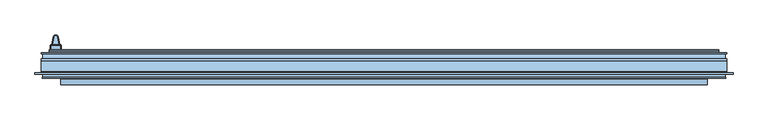
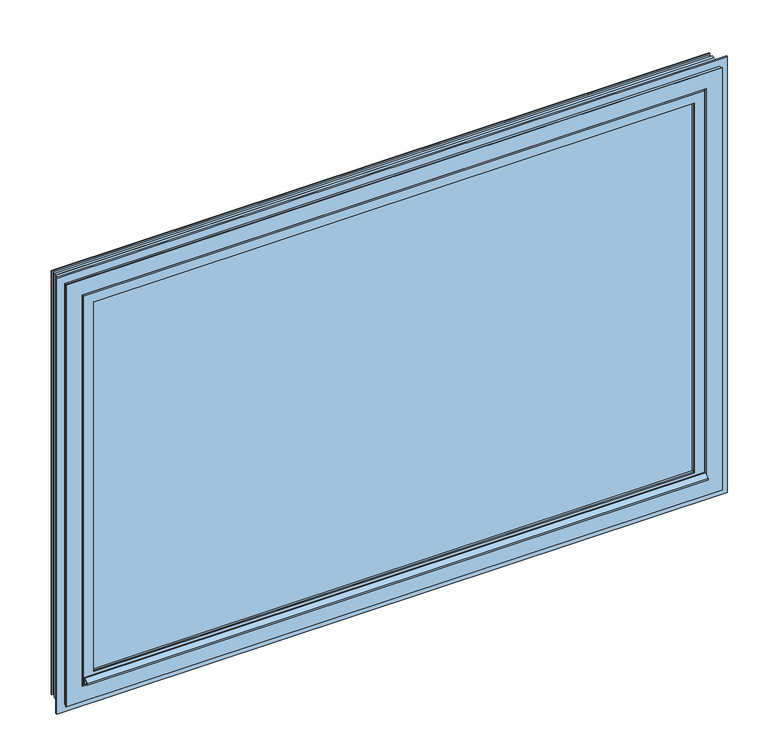
"""IFC4 building model written with IfcOpenShell, lengths in millimetres: window geometry."""

from ifc_helpers import new_model, si_unit, point, frame, origin, place, context, project, spatial, polyline, circle_curve, ellipse_curve, trimmed, outline, extrude, faceted_brep, source, transform, mapped, element, save
from ifc_brep_helpers import plane_surface, cylinder_surface, revolved_surface, advanced_brep


def window_d481d0ef(model_context):
    return source(origin(), model_context, "Body", "SolidModel", [
        advanced_brep(
        [(-994.7043751, 24.5, 741.3979431), (-993.9647918, 24.5, 740.4324468), (-993.9647918, 24.5, 649.5675532), (-994.7043751, 24.5, 648.6020569), (-1020.2252084, 24.5, 648.6020569), (-1020.9647918, 24.5, 649.5675532), (-1020.9647918, 24.5, 740.4324468), (-1020.2252084, 24.5, 741.3979431), (-1016.4185119, 24.5, 710.0), (-1019.4647918, 24.5, 707.0), (-1019.4647918, 24.5, 680.0), (-995.4647918, 24.5, 680.0), (-995.4647918, 24.5, 707.0), (-998.5110716, 24.5, 710.0), (-1023.9647918, 9.5, 649.5675532), (-1021.0064584, 9.5, 645.7055679), (-993.9231251, 9.5, 645.7055679), (-990.9647918, 9.5, 649.5675532), (-990.9647918, 9.5, 740.4324468), (-993.9231251, 9.5, 744.2944321), (-1021.0064584, 9.5, 744.2944321), (-1023.9647918, 9.5, 740.4324468), (-1021.0064584, 21.5000017, 645.7055679), (-993.9231251, 21.5, 645.7055679), (-990.9647918, 21.5, 649.5675532), (-990.9647918, 21.5, 740.4324468), (-993.9231251, 21.5000017, 744.2944321), (-1021.0064584, 21.5, 744.2944321), (-1023.9647918, 21.5, 740.4324468), (-1023.9647918, 21.5, 649.5675532), (-1002.5293046, 47.2885318, 710.0), (-1012.4002789, 47.2885318, 710.0), (-999.5748814, 47.8094763, 572.088623), (-1015.3547022, 47.8094763, 572.088623), (-999.5748814, 47.8094763, 680.0), (-999.5748814, 47.8094763, 707.0000026), (-1015.3547022, 47.8094763, 680.0), (-1015.3547022, 47.8094763, 707.0)],
        [
            (0, 1, circle_curve(frame((-994.9647918, 24.5, 740.4324468), z_axis=(0.0, 1.0, 0.0), x_axis=(1.0, 0.0, 0.0)), 1.0)),
            (1, 2),
            (2, 3, circle_curve(frame((-994.9647918, 24.5, 649.5675532), z_axis=(0.0, 1.0, 0.0), x_axis=(0.26041666666605084, 0.0, -0.9654963281766239)), 1.0)),
            (3, 4, circle_curve(frame((-1007.4647918, 24.5, 695.911377), z_axis=(0.0, 1.0, 0.0), x_axis=(-0.26041666666662955, 0.0, -0.9654963281764678)), 49.0)),
            (4, 5, circle_curve(frame((-1019.9647918, 24.5, 649.5675532), z_axis=(0.0, 1.0, 0.0), x_axis=(-1.0, 0.0, 0.0)), 1.0)),
            (5, 6),
            (6, 7, circle_curve(frame((-1019.9647918, 24.5, 740.4324468), z_axis=(0.0, 1.0, 0.0), x_axis=(-0.26041666666640223, 0.0, 0.9654963281765291)), 1.0)),
            (7, 0, circle_curve(frame((-1007.4647918, 24.5, 694.088623), z_axis=(0.0, 1.0, 0.0), x_axis=(0.2604166666664096, 0.0, 0.9654963281765271)), 49.0)),
            (8, 9, ellipse_curve(frame((-1016.4185119, 24.5, 707.0), z_axis=(0.0, -1.0, 0.0), x_axis=(1.0, 0.0, 0.0)), 3.0462798, 3.0)),
            (9, 10),
            (10, 11),
            (11, 12),
            (12, 13, ellipse_curve(frame((-998.5110716, 24.5, 707.0), z_axis=(0.0, -1.0, 0.0), x_axis=(1.0, 0.0, 0.0)), 3.0462798, 3.0)),
            (13, 8),
            (14, 15, circle_curve(frame((-1019.9647918, 9.5, 649.5675532), z_axis=(0.0, -1.0, 0.0), x_axis=(1.0, 0.0, 0.0)), 4.0)),
            (15, 16, circle_curve(frame((-1007.4647918, 9.5, 695.911377), z_axis=(0.0, -1.0, 0.0), x_axis=(1.0, 0.0, 0.0)), 52.0)),
            (16, 17, circle_curve(frame((-994.9647918, 9.5, 649.5675532), z_axis=(0.0, -1.0, 0.0), x_axis=(-1.0, 0.0, 0.0)), 4.0)),
            (17, 18),
            (18, 19, circle_curve(frame((-994.9647918, 9.5, 740.4324468), z_axis=(0.0, -1.0, 0.0), x_axis=(-1.0, 0.0, 0.0)), 4.0)),
            (19, 20, circle_curve(frame((-1007.4647918, 9.5, 694.088623), z_axis=(0.0, -1.0, 0.0), x_axis=(1.0, 0.0, 0.0)), 52.0)),
            (20, 21, circle_curve(frame((-1019.9647918, 9.5, 740.4324468), z_axis=(0.0, -1.0, 0.0), x_axis=(1.0, 0.0, 0.0)), 4.0)),
            (21, 14),
            (15, 22),
            (22, 23, circle_curve(frame((-1007.4647918, 21.5, 695.911377), z_axis=(0.0, -1.0, 0.0), x_axis=(1.0, 0.0, 0.0)), 52.0)),
            (23, 16),
            (17, 24),
            (24, 25),
            (25, 18),
            (19, 26),
            (26, 27, circle_curve(frame((-1007.4647918, 21.5, 694.088623), z_axis=(0.0, -1.0, 0.0), x_axis=(1.0, 0.0, 0.0)), 52.0)),
            (27, 20),
            (21, 28),
            (28, 29),
            (29, 14),
            (26, 0, circle_curve(frame((-994.7043751, 21.5, 741.3979431), z_axis=(-0.9654963281765271, 0.0, 0.2604166666664095), x_axis=(0.2604166666664095, 0.0, 0.9654963281765271)), 3.0)),
            (7, 27, circle_curve(frame((-1020.2252084, 21.5, 741.3979431), z_axis=(0.9654963281765291, 0.0, 0.2604166666664024), x_axis=(-0.2604166666664024, 0.0, 0.9654963281765291)), 3.0)),
            (28, 6, circle_curve(frame((-1020.9647918, 21.5, 740.4324468), z_axis=(0.0, 0.0, -1.0), x_axis=(-1.0, 0.0, 0.0)), 3.0)),
            (5, 29, circle_curve(frame((-1020.9647918, 21.5, 649.5675532), z_axis=(0.0, 0.0, 1.0), x_axis=(-1.0, 0.0, 0.0)), 3.0)),
            (22, 4, circle_curve(frame((-1020.2252084, 21.5, 648.6020569), z_axis=(0.9654963281764678, 0.0, -0.26041666666662944), x_axis=(-0.26041666666662944, 0.0, -0.9654963281764678)), 3.0)),
            (3, 23, circle_curve(frame((-994.7043751, 21.5, 648.6020569), z_axis=(-0.9654963281766021, 0.0, -0.26041666666613134), x_axis=(0.26041666666613134, 0.0, -0.9654963281766021)), 3.0)),
            (24, 2, circle_curve(frame((-993.9647918, 21.5, 649.5675532), z_axis=(0.0, 0.0, 1.0), x_axis=(1.0, 0.0, 0.0)), 3.0)),
            (1, 25, circle_curve(frame((-993.9647918, 21.5, 740.4324468), z_axis=(0.0, 0.0, -1.0), x_axis=(1.0, 0.0, 0.0)), 3.0)),
            (29, 22, circle_curve(frame((-1019.9647918, 21.5, 649.5675532), z_axis=(0.0, -1.0, 0.0), x_axis=(1.0, 0.0, 0.0)), 4.0)),
            (23, 24, circle_curve(frame((-994.9647918, 21.5, 649.5675532), z_axis=(0.0, -1.0, 0.0), x_axis=(-1.0, 0.0, 0.0)), 4.0)),
            (25, 26, circle_curve(frame((-994.9647918, 21.5, 740.4324468), z_axis=(0.0, -1.0, 0.0), x_axis=(-1.0, 0.0, 0.0)), 4.0)),
            (27, 28, circle_curve(frame((-1019.9647918, 21.5, 740.4324468), z_axis=(0.0, -1.0, 0.0), x_axis=(1.0, 0.0, 0.0)), 4.0)),
            (13, 30),
            (30, 31, circle_curve(frame((-1007.4647918, 46.4182722, 710.0), z_axis=(0.0, 0.0, 1.0), x_axis=(-0.9848077530122089, 0.17364817766692564, 0.0)), 5.011625)),
            (31, 8),
            (32, 33, circle_curve(frame((-1007.4647918, 46.4182722, 572.088623), z_axis=(0.0, 0.0, -1.0), x_axis=(1.0, 0.0, 0.0)), 8.011625)),
            (33, 32, circle_curve(frame((-1007.4647918, 46.4182722, 572.088623), z_axis=(0.0, 0.0, -1.0), x_axis=(1.0, 0.0, 0.0)), 8.011625)),
            (11, 34),
            (34, 35),
            (35, 12),
            (33, 36),
            (36, 37),
            (37, 35, circle_curve(frame((-1007.4647918, 46.4182722, 707.0), z_axis=(0.0, 0.0, -1.0), x_axis=(1.0, 0.0, 0.0)), 8.011625)),
            (34, 32),
            (36, 10),
            (9, 37),
            (31, 37, circle_curve(frame((-1012.4002789, 47.2885318, 707.0), z_axis=(-0.17364817766693155, -0.9848077530122079, 0.0), x_axis=(0.9848077530122079, -0.17364817766693155, 0.0)), 3.0)),
            (30, 35, circle_curve(frame((-1002.5293046, 47.2885318, 707.0), z_axis=(-0.1736481776669173, 0.9848077530122104, 0.0), x_axis=(-0.9848077530122104, -0.1736481776669173, 0.0)), 3.0)),
            (36, 34, circle_curve(frame((-1007.4647918, 46.4182722, 680.0), z_axis=(0.0, 0.0, 1.0), x_axis=(1.0, 0.0, 0.0)), 8.011625)),
        ],
        [
            plane_surface(frame((-1015.9647918, 24.5, 649.5675532), z_axis=(0.0, 1.0, 0.0), x_axis=(0.0, 0.0, 1.0))),
            plane_surface(frame((-1015.9647918, 9.5, 649.5675532), z_axis=(0.0, -1.0, 0.0), x_axis=(0.0, 0.0, -1.0))),
            cylinder_surface(frame((-1007.4647918, 9.5, 695.911377), z_axis=(0.0, 1.0, 0.0), x_axis=(1.0, 0.0, 0.0)), 52.0),
            plane_surface(frame((-990.9647918, 24.5, 649.5675532), z_axis=(1.0, 0.0, 0.0), x_axis=(0.0, -1.0, 0.0))),
            cylinder_surface(frame((-1007.4647918, 9.5, 694.088623), z_axis=(0.0, 1.0, 0.0), x_axis=(1.0, 0.0, 0.0)), 52.0),
            plane_surface(frame((-1023.9647918, 24.5, 740.4324468), z_axis=(-1.0, 0.0, 0.0), x_axis=(0.0, -1.0, 0.0))),
            revolved_surface(trimmed(ellipse_curve(frame((-994.7043751, 21.5, 741.3979431), z_axis=(-0.9654963281765271, 0.0, 0.2604166666664095), x_axis=(0.2604166666664095, 0.0, 0.9654963281765271)), 3.0, 3.0), [point((-993.9231251, 21.5, 744.2944321))], [point((-994.7043751, 24.5, 741.3979431))], True, "CARTESIAN"), (-1007.4647918, 9.5, 694.088623), (0.0, 1.0, 0.0)),
            cylinder_surface(frame((-1020.9647918, 21.5, 740.4324468), z_axis=(0.0, 0.0, -1.0), x_axis=(-1.0, 0.0, 0.0)), 3.0),
            revolved_surface(trimmed(ellipse_curve(frame((-1020.2252084, 21.5, 648.6020569), z_axis=(0.9654963281764678, 0.0, -0.26041666666662944), x_axis=(-0.26041666666662944, 0.0, -0.9654963281764678)), 3.0, 3.0), [point((-1021.0064584, 21.5, 645.7055679))], [point((-1020.2252084, 24.5, 648.6020569))], True, "CARTESIAN"), (-1007.4647918, 9.5, 695.911377), (0.0, 1.0, 0.0)),
            cylinder_surface(frame((-993.9647918, 21.5, 649.5675532), z_axis=(0.0, 0.0, 1.0), x_axis=(1.0, 0.0, 0.0)), 3.0),
            cylinder_surface(frame((-1019.9647918, 9.5, 649.5675532), z_axis=(0.0, 1.0, 0.0), x_axis=(1.0, 0.0, 0.0)), 4.0),
            cylinder_surface(frame((-994.9647918, 9.5, 649.5675532), z_axis=(0.0, 1.0, 0.0), x_axis=(-1.0, 0.0, 0.0)), 4.0),
            cylinder_surface(frame((-994.9647918, 9.5, 740.4324468), z_axis=(0.0, 1.0, 0.0), x_axis=(-1.0, 0.0, 0.0)), 4.0),
            cylinder_surface(frame((-1019.9647918, 9.5, 740.4324468), z_axis=(0.0, 1.0, 0.0), x_axis=(1.0, 0.0, 0.0)), 4.0),
            revolved_surface(trimmed(ellipse_curve(frame((-993.9647918, 21.5, 740.4324468), z_axis=(0.0, 0.0, 1.0), x_axis=(1.0, 0.0, 0.0)), 3.0, 3.0), [point((-990.9647918, 21.5, 740.4324468))], [point((-993.9647918, 24.5, 740.4324468))], True, "CARTESIAN"), (-994.9647918, 9.5, 740.4324468), (0.0, 1.0, 0.0)),
            revolved_surface(trimmed(ellipse_curve(frame((-1020.2252084, 21.5, 741.3979431), z_axis=(-0.9654963281765291, 0.0, -0.2604166666664024), x_axis=(-0.2604166666664024, 0.0, 0.9654963281765291)), 3.0, 3.0), [point((-1021.0064584, 21.5, 744.2944321))], [point((-1020.2252084, 24.5, 741.3979431))], True, "CARTESIAN"), (-1019.9647918, 9.5, 740.4324468), (0.0, 1.0, 0.0)),
            revolved_surface(trimmed(ellipse_curve(frame((-1020.9647918, 21.5, 649.5675532), z_axis=(0.0, 0.0, -1.0), x_axis=(-1.0, 0.0, 0.0)), 3.0, 3.0), [point((-1023.9647918, 21.5, 649.5675532))], [point((-1020.9647918, 24.5, 649.5675532))], True, "CARTESIAN"), (-1019.9647918, 9.5, 649.5675532), (0.0, 1.0, 0.0)),
            revolved_surface(trimmed(ellipse_curve(frame((-994.7043751, 21.5, 648.6020569), z_axis=(0.9654963281766239, 0.0, 0.26041666666605096), x_axis=(0.26041666666605096, 0.0, -0.9654963281766239)), 3.0, 3.0), [point((-993.9231251, 21.5, 645.7055679))], [point((-994.7043751, 24.5, 648.6020569))], True, "CARTESIAN"), (-994.9647918, 9.5, 649.5675532), (0.0, 1.0, 0.0)),
            plane_surface(frame((-1019.4647918, 24.5, 710.0), z_axis=(0.0, 0.0, 1.0), x_axis=(0.17364817766693152, 0.9848077530122079, 0.0))),
            plane_surface(frame((-1019.4647918, 24.5, 572.088623), z_axis=(0.0, 0.0, -1.0), x_axis=(-0.17364817766693152, -0.9848077530122079, 0.0))),
            plane_surface(frame((-999.5748814, 47.8094763, 710.0), z_axis=(0.9848077530122115, 0.1736481776669116, 0.0), x_axis=(0.0, 0.0, -1.0))),
            cylinder_surface(frame((-1007.4647918, 46.4182722, 572.088623), z_axis=(0.0, 0.0, 1.0), x_axis=(1.0, 0.0, 0.0)), 8.011625),
            plane_surface(frame((-1019.4647918, 24.5, 710.0), z_axis=(-0.9848077530122079, 0.17364817766693152, 0.0), x_axis=(0.0, 0.0, -1.0))),
            cylinder_surface(frame((-1016.5103685, 23.9790554, 707.0), z_axis=(0.17364817766693155, 0.9848077530122079, 0.0), x_axis=(0.9848077530122079, -0.17364817766693155, 0.0)), 3.0),
            revolved_surface(trimmed(ellipse_curve(frame((-1012.4002789, 47.2885318, 707.0), z_axis=(0.17364817766692567, 0.9848077530122089, 0.0), x_axis=(0.9848077530122089, -0.17364817766692567, 0.0)), 3.0, 3.0), [point((-1015.3547022, 47.8094763, 707.0))], [point((-1012.4002789, 47.2885318, 710.0))], True, "CARTESIAN"), (-1007.4647918, 46.4182722, 695.0), (0.0, 0.0, 1.0)),
            cylinder_surface(frame((-1002.5293046, 47.2885318, 707.0), z_axis=(0.17364817766691146, -0.9848077530122115, 0.0), x_axis=(-0.9848077530122115, -0.17364817766691146, 0.0)), 3.0),
            plane_surface(frame((-1015.3547022, 47.8094763, 680.0), z_axis=(0.0, 0.0, -1.0), x_axis=(0.17364817766693152, 0.9848077530122079, 0.0))),
            cylinder_surface(frame((-1007.4647918, 46.4182722, 680.0), z_axis=(0.0, 0.0, 1.0), x_axis=(1.0, 0.0, 0.0)), 8.011625),
        ],
        [
            (0, [[1, 2, 3, 4, 5, 6, 7, 8], [9, 10, 11, 12, 13, 14]]),
            (1, [[15, 16, 17, 18, 19, 20, 21, 22]]),
            (2, [[23, 24, 25, -16]]),
            (3, [[26, 27, 28, -18]]),
            (4, [[29, 30, 31, -20]]),
            (5, [[32, 33, 34, -22]]),
            (6, [[-30, 35, -8, 36]]),
            (7, [[-33, 37, -6, 38]]),
            (8, [[-24, 39, -4, 40]]),
            (9, [[-27, 41, -2, 42]]),
            (10, [[-34, 43, -23, -15]]),
            (11, [[-25, 44, -26, -17]]),
            (12, [[-28, 45, -29, -19]]),
            (13, [[-31, 46, -32, -21]]),
            (14, [[-45, -42, -1, -35]]),
            (15, [[-7, -37, -46, -36]]),
            (16, [[-5, -39, -43, -38]]),
            (17, [[-3, -41, -44, -40]]),
            (18, [[-14, 47, 48, 49]]),
            (19, [[50, 51]]),
            (20, [[-12, 52, 53, 54]]),
            (21, [[55, 56, 57, -53, 58, -51]]),
            (22, [[-56, 59, -10, 60]]),
            (23, [[-60, -9, -49, 61]]),
            (24, [[-48, 62, -57, -61]]),
            (25, [[-47, -13, -54, -62]]),
            (26, [[-52, -11, -59, 63]]),
            (27, [[-55, -50, -58, -63]]),
        ],
    ),
        extrude(outline(polyline([(-78.0, 112.5000001), (-78.0, 90.5000001), (-79.5, 90.5000001), (-79.5, 111.0000001), (-81.5947325, 111.0000001), (-96.5, 102.4320777), (-96.5, 99.3000001), (-98.0, 99.3000001), (-98.0, 103.3023811), (-81.8082792, 112.5000001), (-78.0, 112.5000001)])), frame((-991.4647918, 0.0, 0.0), z_axis=(1.0, 0.0, 0.0), x_axis=(0.0, 1.0, 0.0)), (0.0, 0.0, 1.0), 1982.9295835),
        extrude(outline(polyline([(972.4771163, -20.9993552), (972.4771163, -68.9993552), (-972.4771163, -68.9993552), (-972.4771163, -20.9993552), (972.4771163, -20.9993552)])), frame((0.0, 0.0, 108.9876756), z_axis=(0.0, 0.0, 1.0), x_axis=(1.0, 0.0, 0.0)), (0.0, 0.0, 1.0), 1274.6246488),
        faceted_brep([(-1020.4647918, 0.0, 61.0000001), (1020.4647918, 0.0, 61.0000001), (1020.4647918, 4.5, 61.0000001), (-1020.4647918, 4.5, 61.0000001), (-1027.4647918, 4.5, 54.0000001), (1027.4647918, 4.5, 54.0000001), (1027.4647918, 0.0, 54.0000001), (-1027.4647918, 0.0, 54.0000001), (1020.4647918, 0.0, 1431.5999999), (1020.4647918, 4.5, 1431.5999999), (1027.4647918, 4.5, 1438.5999999), (1027.4647918, 0.0, 1438.5999999), (-1020.4647918, 0.0, 1431.5999999), (-1020.4647918, 4.5, 1431.5999999), (-1027.4647918, 4.5, 1438.5999999), (-1027.4647918, 0.0, 1438.5999999)], [[[0, 1, 2, 3]], [[4, 5, 6, 7]], [[1, 8, 9, 2]], [[5, 10, 11, 6]], [[8, 12, 13, 9]], [[10, 14, 15, 11]], [[12, 0, 3, 13]], [[7, 6, 11, 15], [1, 0, 12, 8]], [[14, 4, 7, 15]], [[5, 4, 14, 10], [3, 2, 9, 13]]]),
        faceted_brep([(-958.877858, -72.9993552, 122.5869339), (958.877858, -72.9993552, 122.5869339), (956.548095, -68.9993552, 124.9166968), (-956.548095, -68.9993552, 124.9166968), (-967.2929374, -68.9993552, 114.1718545), (967.2929374, -68.9993552, 114.1718545), (967.2929374, -72.9993552, 114.1718545), (-967.2929374, -72.9993552, 114.1718545), (958.877858, -72.9993552, 1370.0130661), (956.548095, -68.9993552, 1367.6833032), (967.2929374, -68.9993552, 1378.4281455), (967.2929374, -72.9993552, 1378.4281455), (-958.877858, -72.9993552, 1370.0130661), (-956.548095, -68.9993552, 1367.6833032), (-967.2929374, -68.9993552, 1378.4281455), (-967.2929374, -72.9993552, 1378.4281455)], [[[0, 1, 2, 3]], [[4, 5, 6, 7]], [[1, 8, 9, 2]], [[5, 10, 11, 6]], [[8, 12, 13, 9]], [[10, 14, 15, 11]], [[12, 0, 3, 13]], [[7, 6, 11, 15], [1, 0, 12, 8]], [[14, 4, 7, 15]], [[5, 4, 14, 10], [3, 2, 9, 13]]]),
        faceted_brep([(-973.7771163, -58.5822771, 107.6876756), (973.7771163, -58.5822771, 107.6876756), (973.7771163, -20.9993552, 107.6876756), (-973.7771163, -20.9993552, 107.6876756), (-977.8728445, -60.9469469, 103.5919473), (977.8728445, -60.9469469, 103.5919473), (-979.7647918, -13.5, 101.7000001), (979.7647918, -13.5, 101.7000001), (979.7647918, -60.9469469, 101.7000001), (-979.7647918, -60.9469469, 101.7000001), (-956.6542646, -20.9993552, 124.8105273), (956.6542646, -20.9993552, 124.8105273), (959.4647918, -13.5, 122.0000001), (-959.4647918, -13.5, 122.0000001), (973.7771163, -58.5822771, 1384.9123244), (973.7771163, -20.9993552, 1384.9123244), (977.8728445, -60.9469469, 1389.0080527), (979.7647918, -13.5, 1390.8999999), (979.7647918, -60.9469469, 1390.8999999), (956.6542646, -20.9993552, 1367.7894727), (959.4647918, -13.5, 1370.5999999), (-973.7771163, -58.5822771, 1384.9123244), (-973.7771163, -20.9993552, 1384.9123244), (-977.8728445, -60.9469469, 1389.0080527), (-979.7647918, -13.5, 1390.8999999), (-979.7647918, -60.9469469, 1390.8999999), (-956.6542646, -20.9993552, 1367.7894727), (-959.4647918, -13.5, 1370.5999999)], [[[0, 1, 2, 3]], [[4, 5, 1, 0]], [[6, 7, 8, 9]], [[10, 11, 12, 13]], [[1, 14, 15, 2]], [[5, 16, 14, 1]], [[7, 17, 18, 8]], [[11, 19, 20, 12]], [[14, 21, 22, 15]], [[16, 23, 21, 14]], [[17, 24, 25, 18]], [[19, 26, 27, 20]], [[3, 2, 15, 22], [11, 10, 26, 19]], [[21, 0, 3, 22]], [[23, 4, 0, 21]], [[9, 8, 18, 25], [5, 4, 23, 16]], [[24, 6, 9, 25]], [[7, 6, 24, 17], [13, 12, 20, 27]], [[26, 10, 13, 27]]]),
        faceted_brep([(-979.7647918, -56.0228633, 101.7000001), (979.7647918, -56.0228633, 101.7000001), (979.7647918, -26.5771368, 101.7000001), (-979.7647918, -26.5771368, 101.7000001), (-984.4715043, -26.5771368, 96.9932875), (984.4715043, -26.5771368, 96.9932875), (984.4715043, -56.0228633, 96.9932875), (-984.4715043, -56.0228633, 96.9932875), (979.7647918, -56.0228633, 1390.8999999), (979.7647918, -26.5771368, 1390.8999999), (984.4715043, -26.5771368, 1395.6067125), (984.4715043, -56.0228633, 1395.6067125), (-979.7647918, -56.0228633, 1390.8999999), (-979.7647918, -26.5771368, 1390.8999999), (-984.4715043, -26.5771368, 1395.6067125), (-984.4715043, -56.0228633, 1395.6067125)], [[[0, 1, 2, 3]], [[4, 5, 6, 7]], [[1, 8, 9, 2]], [[5, 10, 11, 6]], [[8, 12, 13, 9]], [[10, 14, 15, 11]], [[5, 4, 14, 10], [3, 2, 9, 13]], [[12, 0, 3, 13]], [[7, 6, 11, 15], [1, 0, 12, 8]], [[14, 4, 7, 15]]]),
        faceted_brep([(-1000.8994328, -53.3448327, 80.5653591), (1000.8994328, -53.3448327, 80.5653591), (1000.8994328, -56.0228633, 80.5653591), (-1000.8994328, -56.0228633, 80.5653591), (-1009.0510273, -29.6580118, 72.4137645), (1009.0510273, -29.6580118, 72.4137645), (1007.0284033, -53.3448327, 74.4363885), (-1007.0284033, -53.3448327, 74.4363885), (-1001.4647918, -29.0102211, 80.0000001), (1001.4647918, -29.0102211, 80.0000001), (-1001.4647918, -26.5771368, 80.0000001), (1001.4647918, -26.5771368, 80.0000001), (-996.1415458, -56.0228633, 85.323246), (996.1415458, -56.0228633, 85.323246), (996.1415458, -26.5771368, 85.323246), (-996.1415458, -26.5771368, 85.323246), (1000.8994328, -53.3448327, 1412.0346409), (1000.8994328, -56.0228633, 1412.0346409), (1009.0510273, -29.6580118, 1420.1862355), (1007.0284033, -53.3448327, 1418.1636115), (1001.4647918, -29.0102211, 1412.5999999), (1001.4647918, -26.5771368, 1412.5999999), (996.1415458, -56.0228633, 1407.276754), (996.1415458, -26.5771368, 1407.276754), (-1000.8994328, -53.3448327, 1412.0346409), (-1000.8994328, -56.0228633, 1412.0346409), (-1009.0510273, -29.6580118, 1420.1862355), (-1007.0284033, -53.3448327, 1418.1636115), (-1001.4647918, -29.0102211, 1412.5999999), (-1001.4647918, -26.5771368, 1412.5999999), (-996.1415458, -56.0228633, 1407.276754), (-996.1415458, -26.5771368, 1407.276754)], [[[0, 1, 2, 3]], [[4, 5, 6, 7]], [[8, 9, 5, 4]], [[10, 11, 9, 8]], [[12, 13, 14, 15]], [[1, 16, 17, 2]], [[5, 18, 19, 6]], [[9, 20, 18, 5]], [[11, 21, 20, 9]], [[13, 22, 23, 14]], [[16, 24, 25, 17]], [[18, 26, 27, 19]], [[20, 28, 26, 18]], [[21, 29, 28, 20]], [[22, 30, 31, 23]], [[24, 0, 3, 25]], [[7, 6, 19, 27], [1, 0, 24, 16]], [[26, 4, 7, 27]], [[28, 8, 4, 26]], [[29, 10, 8, 28]], [[11, 10, 29, 21], [15, 14, 23, 31]], [[30, 12, 15, 31]], [[3, 2, 17, 25], [13, 12, 30, 22]]]),
        faceted_brep([(-991.4647918, -71.8, 90.0000001), (991.4647918, -71.8, 90.0000001), (991.4647918, -78.0, 90.0000001), (-991.4647918, -78.0, 90.0000001), (-1000.0647918, -62.8, 81.4000001), (1000.0647918, -62.8, 81.4000001), (1000.0647918, -71.8, 81.4000001), (-1000.0647918, -71.8, 81.4000001), (-1001.4647918, -56.0228633, 80.0000001), (1001.4647918, -56.0228633, 80.0000001), (1001.4647918, -62.8, 80.0000001), (-1001.4647918, -62.8, 80.0000001), (-979.7647918, -66.0, 101.7000001), (979.7647918, -66.0, 101.7000001), (979.7647918, -56.0228633, 101.7000001), (-979.7647918, -56.0228633, 101.7000001), (-986.9647918, -73.2318757, 94.5000001), (986.9647918, -73.2318757, 94.5000001), (986.9647918, -66.0, 94.5000001), (-986.9647918, -66.0, 94.5000001), (-984.6647918, -76.0, 96.8000001), (984.6647918, -76.0, 96.8000001), (984.6647918, -73.2318757, 96.8000001), (-984.6647918, -73.2318757, 96.8000001), (-968.2647918, -72.9993551, 113.2000001), (968.2647918, -72.9993551, 113.2000001), (968.2647918, -76.0, 113.2000001), (-968.2647918, -76.0, 113.2000001), (-959.4647918, -78.0, 122.0000001), (959.4647918, -78.0, 122.0000001), (959.4647918, -72.9993551, 122.0000001), (-959.4647918, -72.9993551, 122.0000001), (991.4647918, -71.8, 1402.5999999), (991.4647918, -78.0, 1402.5999999), (1000.0647918, -62.8, 1411.1999999), (1000.0647918, -71.8, 1411.1999999), (1001.4647918, -56.0228633, 1412.5999999), (1001.4647918, -62.8, 1412.5999999), (979.7647918, -66.0, 1390.8999999), (979.7647918, -56.0228633, 1390.8999999), (986.9647918, -73.2318757, 1398.0999999), (986.9647918, -66.0, 1398.0999999), (984.6647918, -76.0, 1395.7999999), (984.6647918, -73.2318757, 1395.7999999), (968.2647918, -72.9993551, 1379.3999999), (968.2647918, -76.0, 1379.3999999), (959.4647918, -78.0, 1370.5999999), (959.4647918, -72.9993551, 1370.5999999), (-991.4647918, -71.8, 1402.5999999), (-991.4647918, -78.0, 1402.5999999), (-1000.0647918, -62.8, 1411.1999999), (-1000.0647918, -71.8, 1411.1999999), (-1001.4647918, -56.0228633, 1412.5999999), (-1001.4647918, -62.8, 1412.5999999), (-979.7647918, -66.0, 1390.8999999), (-979.7647918, -56.0228633, 1390.8999999), (-986.9647918, -73.2318757, 1398.0999999), (-986.9647918, -66.0, 1398.0999999), (-984.6647918, -76.0, 1395.7999999), (-984.6647918, -73.2318757, 1395.7999999), (-968.2647918, -72.9993551, 1379.3999999), (-968.2647918, -76.0, 1379.3999999), (-959.4647918, -78.0, 1370.5999999), (-959.4647918, -72.9993551, 1370.5999999)], [[[0, 1, 2, 3]], [[4, 5, 6, 7]], [[8, 9, 10, 11]], [[12, 13, 14, 15]], [[16, 17, 18, 19]], [[20, 21, 22, 23]], [[24, 25, 26, 27]], [[28, 29, 30, 31]], [[1, 32, 33, 2]], [[5, 34, 35, 6]], [[9, 36, 37, 10]], [[13, 38, 39, 14]], [[17, 40, 41, 18]], [[21, 42, 43, 22]], [[25, 44, 45, 26]], [[29, 46, 47, 30]], [[32, 48, 49, 33]], [[34, 50, 51, 35]], [[36, 52, 53, 37]], [[38, 54, 55, 39]], [[40, 56, 57, 41]], [[42, 58, 59, 43]], [[44, 60, 61, 45]], [[46, 62, 63, 47]], [[48, 0, 3, 49]], [[7, 6, 35, 51], [1, 0, 48, 32]], [[50, 4, 7, 51]], [[11, 10, 37, 53], [5, 4, 50, 34]], [[52, 8, 11, 53]], [[9, 8, 52, 36], [15, 14, 39, 55]], [[54, 12, 15, 55]], [[19, 18, 41, 57], [13, 12, 54, 38]], [[56, 16, 19, 57]], [[17, 16, 56, 40], [23, 22, 43, 59]], [[58, 20, 23, 59]], [[21, 20, 58, 42], [27, 26, 45, 61]], [[60, 24, 27, 61]], [[25, 24, 60, 44], [31, 30, 47, 63]], [[62, 28, 31, 63]], [[3, 2, 33, 49], [29, 28, 62, 46]]]),
        faceted_brep([(-979.4647918, 1.5, 102.0000001), (979.4647918, 1.5, 102.0000001), (987.4647918, 9.5, 94.0000001), (-987.4647918, 9.5, 94.0000001), (-979.4647918, 0.0, 102.0000001), (979.4647918, 0.0, 102.0000001), (-959.4647918, -13.5, 122.0000001), (959.4647918, -13.5, 122.0000001), (959.4647918, 0.0, 122.0000001), (-959.4647918, 0.0, 122.0000001), (-979.7647918, -26.5771368, 101.7000001), (979.7647918, -26.5771368, 101.7000001), (979.7647918, -13.5, 101.7000001), (-979.7647918, -13.5, 101.7000001), (-1001.4647918, -21.8, 80.0000001), (1001.4647918, -21.8, 80.0000001), (1001.4647918, -26.5771368, 80.0000001), (-1001.4647918, -26.5771368, 80.0000001), (-1009.9647918, -17.5027967, 71.5000001), (1009.9647918, -17.5027967, 71.5000001), (1009.9647918, -21.8, 71.5000001), (-1009.9647918, -21.8, 71.5000001), (-1005.3647918, -2.4972034, 76.1000001), (1005.3647918, -2.4972034, 76.1000001), (1005.3647918, -17.5027967, 76.1000001), (-1005.3647918, -17.5027967, 76.1000001), (-1009.9647918, 1.8, 71.5000001), (1009.9647918, 1.8, 71.5000001), (1009.9647918, -2.4972034, 71.5000001), (-1009.9647918, -2.4972034, 71.5000001), (-1005.4647918, 7.5, 76.0000001), (1005.4647918, 7.5, 76.0000001), (1005.4647918, 1.8, 76.0000001), (-1005.4647918, 1.8, 76.0000001), (-1020.4647918, 4.5, 61.0000001), (1020.4647918, 4.5, 61.0000001), (1020.4647918, 7.5, 61.0000001), (-1020.4647918, 7.5, 61.0000001), (-1027.4647918, 9.5, 54.0000001), (1027.4647918, 9.5, 54.0000001), (1027.4647918, 4.5, 54.0000001), (-1027.4647918, 4.5, 54.0000001), (979.4647918, 1.5, 1390.5999999), (987.4647918, 9.5, 1398.5999999), (979.4647918, 0.0, 1390.5999999), (959.4647918, -13.5, 1370.5999999), (959.4647918, 0.0, 1370.5999999), (979.7647918, -26.5771368, 1390.8999999), (979.7647918, -13.5, 1390.8999999), (1001.4647918, -21.8, 1412.5999999), (1001.4647918, -26.5771368, 1412.5999999), (1009.9647918, -17.5027967, 1421.0999999), (1009.9647918, -21.8, 1421.0999999), (1005.3647918, -2.4972034, 1416.4999999), (1005.3647918, -17.5027967, 1416.4999999), (1009.9647918, 1.8, 1421.0999999), (1009.9647918, -2.4972034, 1421.0999999), (1005.4647918, 7.5, 1416.5999999), (1005.4647918, 1.8, 1416.5999999), (1020.4647918, 4.5, 1431.5999999), (1020.4647918, 7.5, 1431.5999999), (1027.4647918, 9.5, 1438.5999999), (1027.4647918, 4.5, 1438.5999999), (-979.4647918, 1.5, 1390.5999999), (-987.4647918, 9.5, 1398.5999999), (-979.4647918, 0.0, 1390.5999999), (-959.4647918, -13.5, 1370.5999999), (-959.4647918, 0.0, 1370.5999999), (-979.7647918, -26.5771368, 1390.8999999), (-979.7647918, -13.5, 1390.8999999), (-1001.4647918, -21.8, 1412.5999999), (-1001.4647918, -26.5771368, 1412.5999999), (-1009.9647918, -17.5027967, 1421.0999999), (-1009.9647918, -21.8, 1421.0999999), (-1005.3647918, -2.4972034, 1416.4999999), (-1005.3647918, -17.5027967, 1416.4999999), (-1009.9647918, 1.8, 1421.0999999), (-1009.9647918, -2.4972034, 1421.0999999), (-1005.4647918, 7.5, 1416.5999999), (-1005.4647918, 1.8, 1416.5999999), (-1020.4647918, 4.5, 1431.5999999), (-1020.4647918, 7.5, 1431.5999999), (-1027.4647918, 9.5, 1438.5999999), (-1027.4647918, 4.5, 1438.5999999)], [[[0, 1, 2, 3]], [[4, 5, 1, 0]], [[6, 7, 8, 9]], [[10, 11, 12, 13]], [[14, 15, 16, 17]], [[18, 19, 20, 21]], [[22, 23, 24, 25]], [[26, 27, 28, 29]], [[30, 31, 32, 33]], [[34, 35, 36, 37]], [[38, 39, 40, 41]], [[1, 42, 43, 2]], [[5, 44, 42, 1]], [[7, 45, 46, 8]], [[11, 47, 48, 12]], [[15, 49, 50, 16]], [[19, 51, 52, 20]], [[23, 53, 54, 24]], [[27, 55, 56, 28]], [[31, 57, 58, 32]], [[35, 59, 60, 36]], [[39, 61, 62, 40]], [[42, 63, 64, 43]], [[44, 65, 63, 42]], [[45, 66, 67, 46]], [[47, 68, 69, 48]], [[49, 70, 71, 50]], [[51, 72, 73, 52]], [[53, 74, 75, 54]], [[55, 76, 77, 56]], [[57, 78, 79, 58]], [[59, 80, 81, 60]], [[61, 82, 83, 62]], [[63, 0, 3, 64]], [[65, 4, 0, 63]], [[5, 4, 65, 44], [9, 8, 46, 67]], [[66, 6, 9, 67]], [[13, 12, 48, 69], [7, 6, 66, 45]], [[68, 10, 13, 69]], [[17, 16, 50, 71], [11, 10, 68, 47]], [[70, 14, 17, 71]], [[21, 20, 52, 73], [15, 14, 70, 49]], [[72, 18, 21, 73]], [[19, 18, 72, 51], [25, 24, 54, 75]], [[74, 22, 25, 75]], [[29, 28, 56, 77], [23, 22, 74, 53]], [[76, 26, 29, 77]], [[27, 26, 76, 55], [33, 32, 58, 79]], [[78, 30, 33, 79]], [[37, 36, 60, 81], [31, 30, 78, 57]], [[80, 34, 37, 81]], [[41, 40, 62, 83], [35, 34, 80, 59]], [[82, 38, 41, 83]], [[39, 38, 82, 61], [3, 2, 43, 64]]]),
        faceted_brep([(-1025.9647918, -66.0052697, 55.5), (1025.9647918, -66.0052697, 55.5), (1025.9647918, -68.0, 55.5), (-1025.9647918, -68.0, 55.5), (-1021.4647918, -23.2660825, 60.0), (1021.4647918, -23.2660825, 60.0), (1021.4647918, -66.0052697, 60.0), (-1021.4647918, -66.0052697, 60.0), (-1013.9647918, -53.3448327, 67.5), (1013.9647918, -53.3448327, 67.5), (1013.9647918, -23.2660825, 67.5), (-1013.9647918, -23.2660825, 67.5), (-1004.2509872, -68.0, 77.2138046), (1004.2509872, -68.0, 77.2138046), (1004.2509872, -53.3448327, 77.2138046), (-1004.2509872, -53.3448327, 77.2138046), (1025.9647918, -66.0052697, 1437.1), (1025.9647918, -68.0, 1437.1), (1021.4647918, -23.2660825, 1432.6), (1021.4647918, -66.0052697, 1432.6), (1013.9647918, -53.3448327, 1425.1), (1013.9647918, -23.2660825, 1425.1), (1004.2509872, -68.0, 1415.3861954), (1004.2509872, -53.3448327, 1415.3861954), (-1025.9647918, -66.0052697, 1437.1), (-1025.9647918, -68.0, 1437.1), (-1021.4647918, -23.2660825, 1432.6), (-1021.4647918, -66.0052697, 1432.6), (-1013.9647918, -53.3448327, 1425.1), (-1013.9647918, -23.2660825, 1425.1), (-1004.2509872, -68.0, 1415.3861954), (-1004.2509872, -53.3448327, 1415.3861954)], [[[0, 1, 2, 3]], [[4, 5, 6, 7]], [[8, 9, 10, 11]], [[12, 13, 14, 15]], [[1, 16, 17, 2]], [[5, 18, 19, 6]], [[9, 20, 21, 10]], [[13, 22, 23, 14]], [[16, 24, 25, 17]], [[18, 26, 27, 19]], [[20, 28, 29, 21]], [[22, 30, 31, 23]], [[3, 2, 17, 25], [13, 12, 30, 22]], [[24, 0, 3, 25]], [[1, 0, 24, 16], [7, 6, 19, 27]], [[26, 4, 7, 27]], [[5, 4, 26, 18], [11, 10, 21, 29]], [[28, 8, 11, 29]], [[9, 8, 28, 20], [15, 14, 23, 31]], [[30, 12, 15, 31]]]),
        faceted_brep([(-994.48271, -72.9993551, 86.9820819), (994.48271, -72.9993551, 86.9820819), (994.48271, -71.8, 86.9820819), (-994.48271, -71.8, 86.9820819), (-1005.2647918, -71.8, 76.2000001), (1005.2647918, -71.8, 76.2000001), (1005.2647918, -72.9993551, 76.2000001), (-1005.2647918, -72.9993551, 76.2000001), (994.48271, -72.9993551, 1405.6179181), (994.48271, -71.8, 1405.6179181), (1005.2647918, -71.8, 1416.3999999), (1005.2647918, -72.9993551, 1416.3999999), (-994.48271, -72.9993551, 1405.6179181), (-994.48271, -71.8, 1405.6179181), (-1005.2647918, -71.8, 1416.3999999), (-1005.2647918, -72.9993551, 1416.3999999)], [[[0, 1, 2, 3]], [[4, 5, 6, 7]], [[1, 8, 9, 2]], [[5, 10, 11, 6]], [[8, 12, 13, 9]], [[10, 14, 15, 11]], [[5, 4, 14, 10], [3, 2, 9, 13]], [[12, 0, 3, 13]], [[7, 6, 11, 15], [1, 0, 12, 8]], [[14, 4, 7, 15]]]),
        extrude(outline(polyline([(51.822288, -1029.6425038), (51.822288, 1029.6425038), (1440.777712, 1029.6425038), (1440.777712, -1029.6425038), (51.822288, -1029.6425038)]), holes=[polyline([(60.0, 1021.4647918), (60.0, -1021.4647918), (1432.6, -1021.4647918), (1432.6, 1021.4647918), (60.0, 1021.4647918)])]), frame((0.0, -57.0317462, 0.0), z_axis=(0.0, 1.0, 0.0), x_axis=(0.0, 0.0, 1.0)), (0.0, 0.0, 1.0), 30.0582227),
        extrude(outline(polyline([(30.0, -1051.4647918), (30.0, 1051.4647918), (1462.6, 1051.4647918), (1462.6, -1051.4647918), (30.0, -1051.4647918)]), holes=[polyline([(38.177712, 1043.2870798), (38.177712, -1043.2870798), (1454.422288, -1043.2870798), (1454.422288, 1043.2870798), (38.177712, 1043.2870798)])]), frame((0.0, -57.0317462, 0.0), z_axis=(0.0, 1.0, 0.0), x_axis=(0.0, 0.0, 1.0)), (0.0, 0.0, 1.0), 30.0582227),
        faceted_brep([(-1048.4550821, -76.0, 33.0097097), (1048.4550821, -76.0, 33.0097097), (1048.4550821, -78.0, 33.0097097), (-1048.4550821, -78.0, 33.0097097), (-1046.9647918, -67.0, 34.5), (1046.9647918, -67.0, 34.5), (1046.9647918, -76.0, 34.5), (-1046.9647918, -76.0, 34.5), (-1071.4647918, -62.0004132, 10.0000001), (1071.4647918, -62.0004132, 10.0000001), (1071.4647918, -67.0, 10.0000001), (-1071.4647918, -67.0, 10.0000001), (-1059.9647918, -65.2, 21.5000001), (1059.9647918, -65.2, 21.5000001), (1059.9647918, -62.0004132, 21.5000001), (-1059.9647918, -62.0004132, 21.5000001), (-1046.9647918, -63.4993551, 34.5), (1046.9647918, -63.4993551, 34.5), (1046.9647918, -65.2, 34.5), (-1046.9647918, -65.2, 34.5), (-1051.4647918, -57.0317462, 30.0), (1051.4647918, -57.0317462, 30.0), (1051.4647918, -63.4993551, 30.0), (-1051.4647918, -63.4993551, 30.0), (-1021.4647918, -66.0052697, 60.0), (1021.4647918, -66.0052697, 60.0), (1021.4647918, -57.0317462, 60.0), (-1021.4647918, -57.0317462, 60.0), (-1031.3647918, -76.0, 50.1000001), (1031.3647918, -76.0, 50.1000001), (1031.3647918, -66.0052697, 50.1000001), (-1031.3647918, -66.0052697, 50.1000001), (-1005.2647918, -72.9993551, 76.2000001), (1005.2647918, -72.9993551, 76.2000001), (1005.2647918, -76.0, 76.2000001), (-1005.2647918, -76.0, 76.2000001), (-996.4647918, -78.0, 85.0000001), (996.4647918, -78.0, 85.0000001), (996.4647918, -72.9993551, 85.0000001), (-996.4647918, -72.9993551, 85.0000001), (1048.4550821, -76.0, 1459.5902903), (1048.4550821, -78.0, 1459.5902903), (1046.9647918, -67.0, 1458.1), (1046.9647918, -76.0, 1458.1), (1071.4647918, -62.0004132, 1482.5999999), (1071.4647918, -67.0, 1482.5999999), (1059.9647918, -65.2, 1471.0999999), (1059.9647918, -62.0004132, 1471.0999999), (1046.9647918, -63.4993551, 1458.1), (1046.9647918, -65.2, 1458.1), (1051.4647918, -57.0317462, 1462.6), (1051.4647918, -63.4993551, 1462.6), (1021.4647918, -66.0052697, 1432.6), (1021.4647918, -57.0317462, 1432.6), (1031.3647918, -76.0, 1442.4999999), (1031.3647918, -66.0052697, 1442.4999999), (1005.2647918, -72.9993551, 1416.3999999), (1005.2647918, -76.0, 1416.3999999), (996.4647918, -78.0, 1407.5999999), (996.4647918, -72.9993551, 1407.5999999), (-1048.4550821, -76.0, 1459.5902903), (-1048.4550821, -78.0, 1459.5902903), (-1046.9647918, -67.0, 1458.1), (-1046.9647918, -76.0, 1458.1), (-1071.4647918, -62.0004132, 1482.5999999), (-1071.4647918, -67.0, 1482.5999999), (-1059.9647918, -65.2, 1471.0999999), (-1059.9647918, -62.0004132, 1471.0999999), (-1046.9647918, -63.4993551, 1458.1), (-1046.9647918, -65.2, 1458.1), (-1051.4647918, -57.0317462, 1462.6), (-1051.4647918, -63.4993551, 1462.6), (-1021.4647918, -66.0052697, 1432.6), (-1021.4647918, -57.0317462, 1432.6), (-1031.3647918, -76.0, 1442.4999999), (-1031.3647918, -66.0052697, 1442.4999999), (-1005.2647918, -72.9993551, 1416.3999999), (-1005.2647918, -76.0, 1416.3999999), (-996.4647918, -78.0, 1407.5999999), (-996.4647918, -72.9993551, 1407.5999999)], [[[0, 1, 2, 3]], [[4, 5, 6, 7]], [[8, 9, 10, 11]], [[12, 13, 14, 15]], [[16, 17, 18, 19]], [[20, 21, 22, 23]], [[24, 25, 26, 27]], [[28, 29, 30, 31]], [[32, 33, 34, 35]], [[36, 37, 38, 39]], [[1, 40, 41, 2]], [[5, 42, 43, 6]], [[9, 44, 45, 10]], [[13, 46, 47, 14]], [[17, 48, 49, 18]], [[21, 50, 51, 22]], [[25, 52, 53, 26]], [[29, 54, 55, 30]], [[33, 56, 57, 34]], [[37, 58, 59, 38]], [[40, 60, 61, 41]], [[42, 62, 63, 43]], [[44, 64, 65, 45]], [[46, 66, 67, 47]], [[48, 68, 69, 49]], [[50, 70, 71, 51]], [[52, 72, 73, 53]], [[54, 74, 75, 55]], [[56, 76, 77, 57]], [[58, 78, 79, 59]], [[60, 0, 3, 61]], [[1, 0, 60, 40], [7, 6, 43, 63]], [[62, 4, 7, 63]], [[11, 10, 45, 65], [5, 4, 62, 42]], [[64, 8, 11, 65]], [[9, 8, 64, 44], [15, 14, 47, 67]], [[66, 12, 15, 67]], [[13, 12, 66, 46], [19, 18, 49, 69]], [[68, 16, 19, 69]], [[23, 22, 51, 71], [17, 16, 68, 48]], [[70, 20, 23, 71]], [[21, 20, 70, 50], [27, 26, 53, 73]], [[72, 24, 27, 73]], [[31, 30, 55, 75], [25, 24, 72, 52]], [[74, 28, 31, 75]], [[29, 28, 74, 54], [35, 34, 57, 77]], [[76, 32, 35, 77]], [[33, 32, 76, 56], [39, 38, 59, 79]], [[78, 36, 39, 79]], [[3, 2, 41, 61], [37, 36, 78, 58]]]),
        faceted_brep([(-1021.4647918, -26.9735235, 60.0), (1021.4647918, -26.9735235, 60.0), (1021.4647918, -18.0, 60.0), (-1021.4647918, -18.0, 60.0), (-1051.4647918, -18.0, 30.0), (1051.4647918, -18.0, 30.0), (1051.4647918, -26.9735235, 30.0), (-1051.4647918, -26.9735235, 30.0), (-1046.9647918, -4.0, 34.5), (1046.9647918, -4.0, 34.5), (1046.9647918, -18.0, 34.5), (-1046.9647918, -18.0, 34.5), (-1051.4647918, 0.0, 30.0), (1051.4647918, 0.0, 30.0), (1051.4647918, -4.0, 30.0), (-1051.4647918, -4.0, 30.0), (-1021.4647918, -4.0, 60.0), (1021.4647918, -4.0, 60.0), (1021.4647918, 0.0, 60.0), (-1021.4647918, 0.0, 60.0), (-1025.9647918, -18.0, 55.5), (1025.9647918, -18.0, 55.5), (1025.9647918, -4.0, 55.5), (-1025.9647918, -4.0, 55.5), (1021.4647918, -26.9735235, 1432.6), (1021.4647918, -18.0, 1432.6), (1051.4647918, -18.0, 1462.6), (1051.4647918, -26.9735235, 1462.6), (1046.9647918, -4.0, 1458.1), (1046.9647918, -18.0, 1458.1), (1051.4647918, 0.0, 1462.6), (1051.4647918, -4.0, 1462.6), (1021.4647918, -4.0, 1432.6), (1021.4647918, 0.0, 1432.6), (1025.9647918, -18.0, 1437.1), (1025.9647918, -4.0, 1437.1), (-1021.4647918, -26.9735235, 1432.6), (-1021.4647918, -18.0, 1432.6), (-1051.4647918, -18.0, 1462.6), (-1051.4647918, -26.9735235, 1462.6), (-1046.9647918, -4.0, 1458.1), (-1046.9647918, -18.0, 1458.1), (-1051.4647918, 0.0, 1462.6), (-1051.4647918, -4.0, 1462.6), (-1021.4647918, -4.0, 1432.6), (-1021.4647918, 0.0, 1432.6), (-1025.9647918, -18.0, 1437.1), (-1025.9647918, -4.0, 1437.1)], [[[0, 1, 2, 3]], [[4, 5, 6, 7]], [[8, 9, 10, 11]], [[12, 13, 14, 15]], [[16, 17, 18, 19]], [[20, 21, 22, 23]], [[1, 24, 25, 2]], [[5, 26, 27, 6]], [[9, 28, 29, 10]], [[13, 30, 31, 14]], [[17, 32, 33, 18]], [[21, 34, 35, 22]], [[24, 36, 37, 25]], [[26, 38, 39, 27]], [[28, 40, 41, 29]], [[30, 42, 43, 31]], [[32, 44, 45, 33]], [[34, 46, 47, 35]], [[36, 0, 3, 37]], [[7, 6, 27, 39], [1, 0, 36, 24]], [[38, 4, 7, 39]], [[5, 4, 38, 26], [11, 10, 29, 41]], [[40, 8, 11, 41]], [[15, 14, 31, 43], [9, 8, 40, 28]], [[42, 12, 15, 43]], [[13, 12, 42, 30], [19, 18, 33, 45]], [[44, 16, 19, 45]], [[23, 22, 35, 47], [17, 16, 44, 32]], [[46, 20, 23, 47]], [[21, 20, 46, 34], [3, 2, 25, 37]]]),
    ])


if __name__ == "__main__":
    model = new_model("IFC4")
    model_context = context("Model", 3, world=origin())
    ifc_project = project(units=[si_unit("LENGTHUNIT", "METRE", prefix="MILLI")], contexts=[model_context])
    site = spatial("IfcSite", under=ifc_project)
    building = spatial("IfcBuilding", under=site)
    placement = place(None, origin())
    window_shape = window_d481d0ef(model_context)
    element("IfcWindow", 1, at=placement, inside=building, context=model_context, shape_type="MappedRepresentation", body=[
        mapped(window_shape, transform((0.0, 0.0, 0.0), x_axis=(1.0, 0.0, 0.0), y_axis=(0.0, 1.0, 0.0), z_axis=(0.0, 0.0, 1.0))),
    ])
    save(model, "model.ifc")
